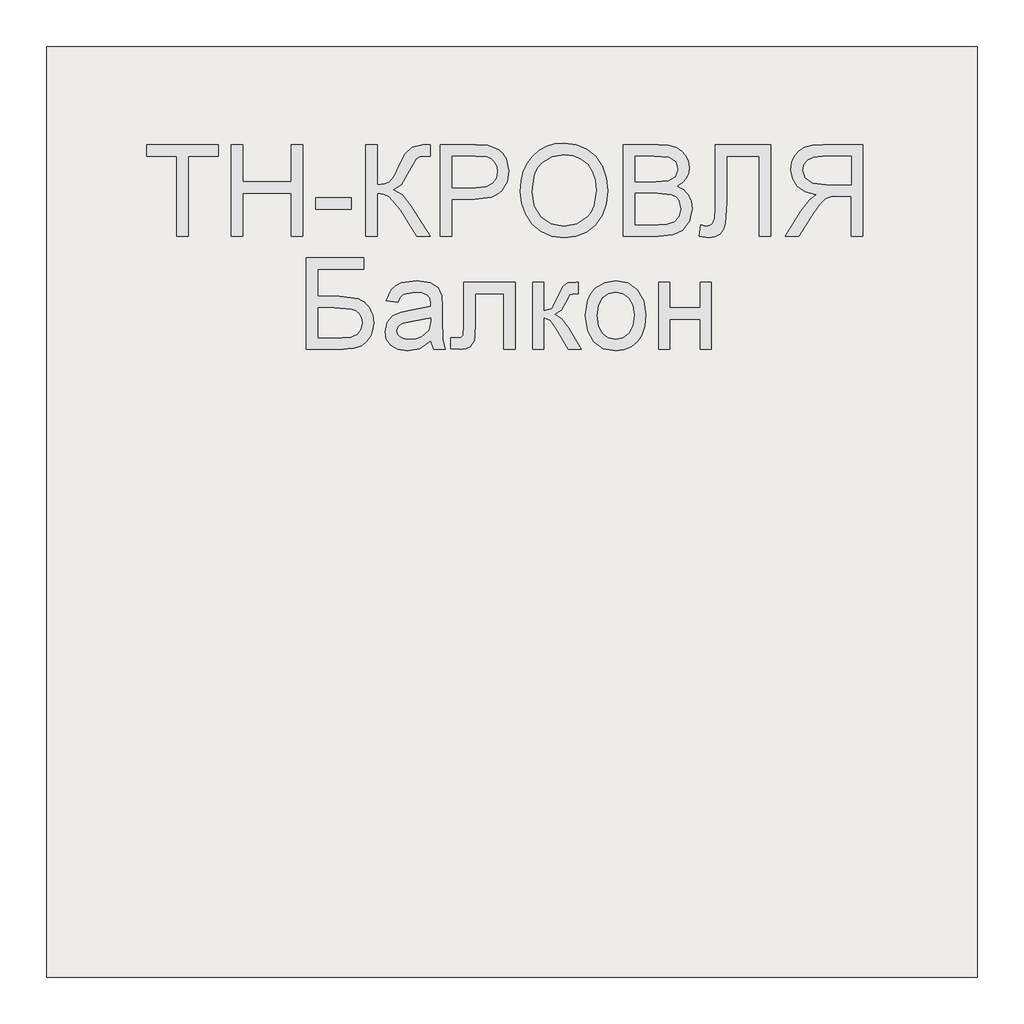
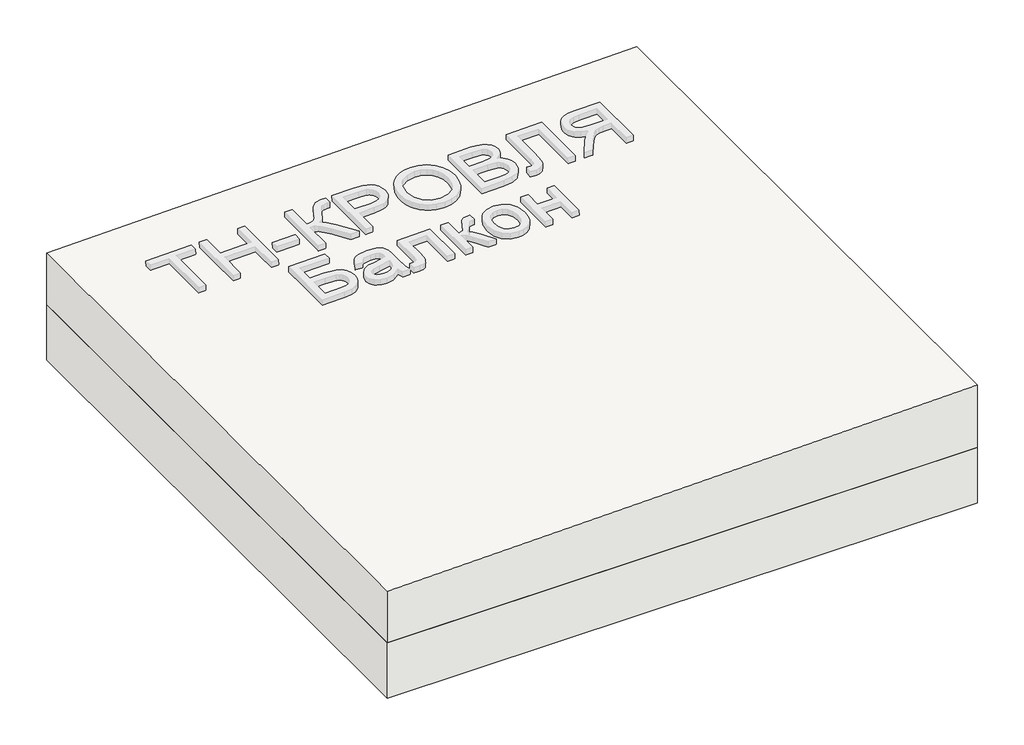
# One storey, part 1 of 3: 1 roof, 1 slab.
"""IFC4 building model written with IfcOpenShell, lengths in millimetres."""

from ifc_helpers import new_model, si_unit, frame, origin, place, context, project, spatial, polyline, outline, extrude, element, save

model = new_model("IFC4")

# Units and contexts
model_context = context("Model", 3, world=origin())
ifc_project = project(units=[si_unit("LENGTHUNIT", "METRE", prefix="MILLI")], contexts=[model_context])

# Site, building, storey
site = spatial("IfcSite", under=ifc_project)
building = spatial("IfcBuilding", under=site)
storey = spatial("IfcBuildingStorey", under=building, Elevation=0.0)

# Roof
placement = place(None, origin())
element("IfcRoof", 1, at=placement, inside=storey, context=model_context, shape_type="SweptSolid", body=[
    extrude(outline(polyline([(184.0, 21706.3955952), (0.0, 21706.3955952), (0.0, 23706.3955952), (224.0, 23706.3955952), (184.0, 21706.3955952)])), frame((0.0, -6302.6148653, 0.0), z_axis=(0.0, 1.0, 0.0), x_axis=(0.0, 0.0, 1.0)), (0.0, 0.0, 1.0), 2000.0),
])

# Slab
element("IfcSlab", 2, at=placement, inside=storey, context=model_context, shape_type="SweptSolid", body=[
    extrude(outline(polyline([(23706.3955952, -6302.6148653), (21706.3955952, -6302.6148653), (21706.3955952, -4302.6148653), (23706.3955952, -4302.6148653), (23706.3955952, -6302.6148653)])), frame((0.0, 0.0, -200.0), z_axis=(0.0, 0.0, 1.0), x_axis=(1.0, 0.0, 0.0)), (0.0, 0.0, 1.0), 200.0),
])

save(model, "model.ifc")
